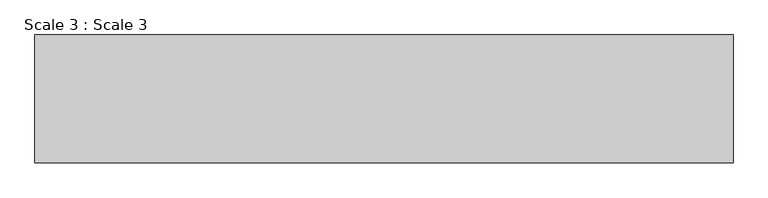
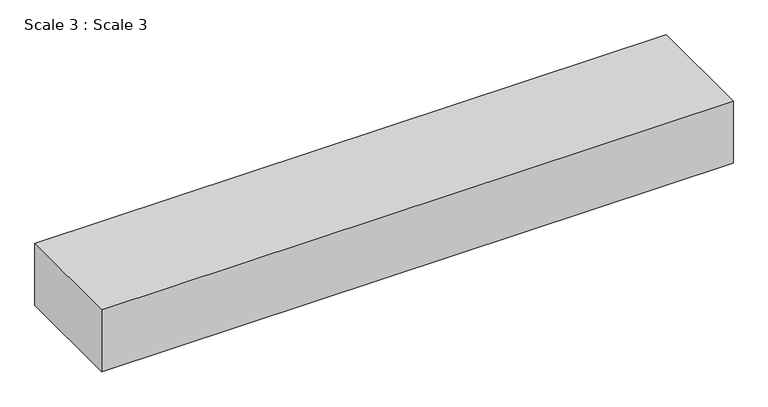
"""IFC4 building model written with IfcOpenShell, lengths in millimetres: stair geometry, Scale 3 : Scale 3."""

from ifc_helpers import new_model, si_unit, frame, origin, place, context, project, spatial, polyline, outline, extrude, source, transform, mapped, element, save


def scale_3_scale_3_744d4018(model_context):
    return source(origin(), model_context, "Body", "SweptSolid", [
        extrude(outline(polyline([(87526.5440385, 119576.812712), (87526.5440385, 119972.9533184), (89688.783446, 119972.9533184), (89688.783446, 119576.812712), (87526.5440385, 119576.812712)])), frame((0.0, 0.0, 9924.3273174), z_axis=(0.0, 0.0, 1.0), x_axis=(1.0, 0.0, 0.0)), (0.0, 0.0, 1.0), 224.0588471),
    ])


if __name__ == "__main__":
    model = new_model("IFC4")
    model_context = context("Model", 3, world=origin())
    ifc_project = project(units=[si_unit("LENGTHUNIT", "METRE", prefix="MILLI")], contexts=[model_context])
    site = spatial("IfcSite", under=ifc_project)
    building = spatial("IfcBuilding", under=site)
    placement = place(None, origin())
    scale_3_scale_3_shape = scale_3_scale_3_744d4018(model_context)
    element("IfcStair", 1, ObjectType="Scale 3 : Scale 3", at=placement, inside=building, context=model_context, shape_type="MappedRepresentation", body=[
        mapped(scale_3_scale_3_shape, transform((0.0, 0.0, 0.0), x_axis=(1.0, 0.0, 0.0), y_axis=(0.0, 1.0, 0.0), z_axis=(0.0, 0.0, 1.0))),
    ])
    save(model, "model.ifc")
